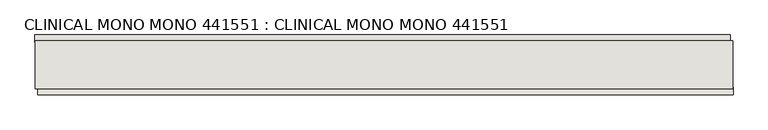
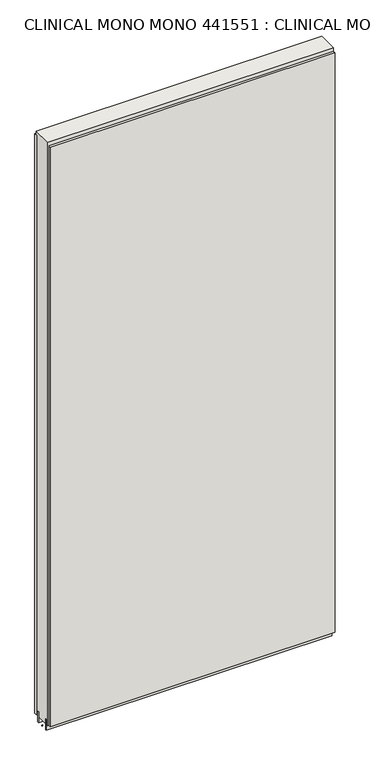
"""IFC4 building model written with IfcOpenShell, lengths in millimetres: wall geometry, CLINICAL MONO MONO 441551 : CLINICAL MONO MONO 441551."""

from ifc_helpers import new_model, si_unit, frame, origin, place, context, project, spatial, polyline, outline, extrude, source, transform, mapped, element, save


def clinical_mono_mono_441551_clinical_mono_mono_441551_9e3a9ecd(model_context):
    return source(origin(), model_context, "Body", "SweptSolid", [
        extrude(outline(polyline([(58555.1061814, -43395.5074684), (58557.6461814, -43395.5074684), (58557.6461814, -43398.0474684), (58555.1061814, -43398.0474684), (58555.1061814, -43395.5074684)])), frame((0.0, 0.0, 4419.6), z_axis=(0.0, 0.0, 1.0), x_axis=(1.0, 0.0, 0.0)), (0.0, 0.0, 1.0), 2.54),
        extrude(outline(polyline([(59743.1506303, -43447.5774684), (58559.5693805, -43447.5774684), (58559.5693805, -43434.8774684), (59743.1506303, -43434.8774684), (59743.1506303, -43447.5774684)])), frame((0.0, 0.0, 4445.0), z_axis=(0.0, 0.0, 1.0), x_axis=(1.0, 0.0, 0.0)), (0.0, 0.0, 1.0), 2545.0498756),
        extrude(outline(polyline([(58554.6394437, -43345.9774684), (59738.2206935, -43345.9774684), (59738.2206935, -43358.6774684), (58554.6394437, -43358.6774684), (58554.6394437, -43345.9774684)])), frame((0.0, 0.0, 4445.0), z_axis=(0.0, 0.0, 1.0), x_axis=(1.0, 0.0, 0.0)), (0.0, 0.0, 1.0), 2545.0498756),
        extrude(outline(polyline([(58555.1049368, -43421.8581142), (59742.678965, -43421.8581142), (59742.678965, -43426.9399684), (58555.1049368, -43426.9399684), (58555.1049368, -43421.8581142)])), frame((0.0, 0.0, 4418.6602), z_axis=(0.0, 0.0, 1.0), x_axis=(1.0, 0.0, 0.0)), (0.0, 0.0, 1.0), 47.625),
        extrude(outline(polyline([(58555.1049368, -43421.8581142), (59742.678965, -43421.8581142), (59742.678965, -43426.9399684), (58555.1049368, -43426.9399684), (58555.1049368, -43421.8581142)])), frame((0.0, 0.0, 4418.6602), z_axis=(0.0, 0.0, 1.0), x_axis=(1.0, 0.0, 0.0)), (0.0, 0.0, 1.0), 47.625),
        extrude(outline(polyline([(59742.678965, -43371.6937238), (58555.1049368, -43371.6937238), (58555.1049368, -43366.6149684), (59742.678965, -43366.6149684), (59742.678965, -43371.6937238)])), frame((0.0, 0.0, 4418.6602), z_axis=(0.0, 0.0, 1.0), x_axis=(1.0, 0.0, 0.0)), (0.0, 0.0, 1.0), 47.625),
        extrude(outline(polyline([(59742.678965, -43371.6937238), (58555.1049368, -43371.6937238), (58555.1049368, -43366.6149684), (59742.678965, -43366.6149684), (59742.678965, -43371.6937238)])), frame((0.0, 0.0, 4418.6602), z_axis=(0.0, 0.0, 1.0), x_axis=(1.0, 0.0, 0.0)), (0.0, 0.0, 1.0), 47.625),
        extrude(outline(polyline([(58555.1049368, -43437.429254), (58555.1049368, -43356.1504986), (59742.678965, -43356.1504986), (59742.678965, -43437.429254), (58555.1049368, -43437.429254)])), frame((0.0, 0.0, 4445.0), z_axis=(0.0, 0.0, 1.0), x_axis=(1.0, 0.0, 0.0)), (0.0, 0.0, 1.0), 2562.4536762),
    ])


if __name__ == "__main__":
    model = new_model("IFC4")
    model_context = context("Model", 3, world=origin())
    ifc_project = project(units=[si_unit("LENGTHUNIT", "METRE", prefix="MILLI")], contexts=[model_context])
    site = spatial("IfcSite", under=ifc_project)
    building = spatial("IfcBuilding", under=site)
    placement = place(None, origin())
    clinical_mono_mono_441551_clinical_mono_mono_441551_shape = clinical_mono_mono_441551_clinical_mono_mono_441551_9e3a9ecd(model_context)
    element("IfcWall", 1, ObjectType="CLINICAL MONO MONO 441551 : CLINICAL MONO MONO 441551", at=placement, inside=building, context=model_context, shape_type="MappedRepresentation", body=[
        mapped(clinical_mono_mono_441551_clinical_mono_mono_441551_shape, transform((0.0, 0.0, 0.0), x_axis=(1.0, 0.0, 0.0), y_axis=(0.0, 1.0, 0.0), z_axis=(0.0, 0.0, 1.0))),
    ])
    save(model, "model.ifc")
